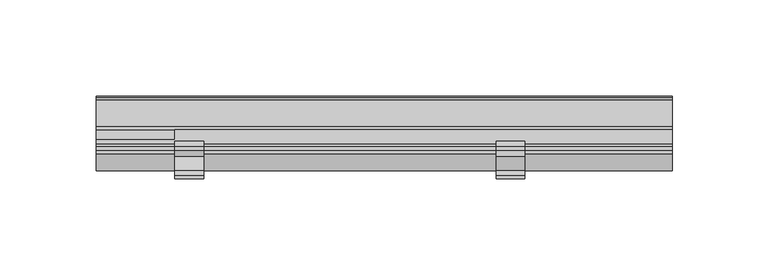
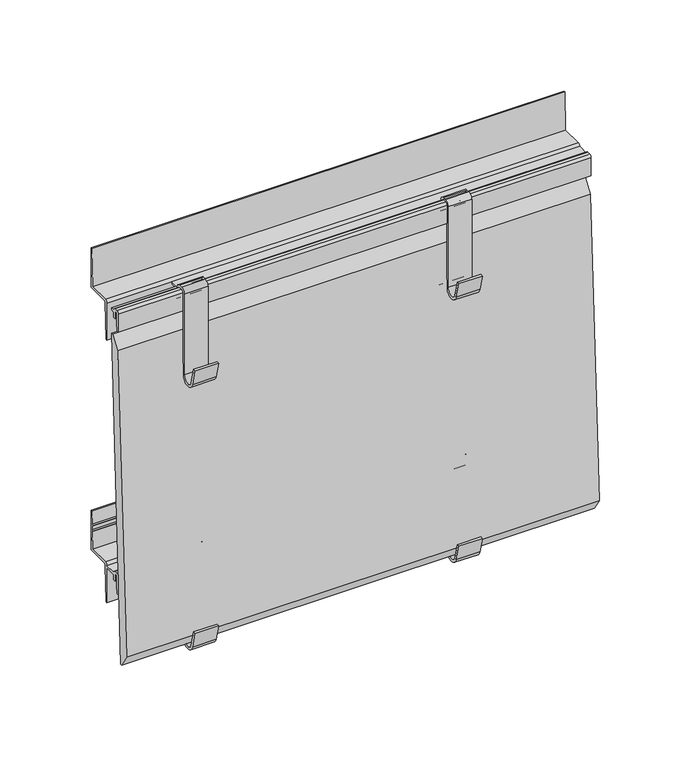
"""IFC4 building model written with IfcOpenShell, lengths in millimetres: plate geometry."""

from ifc_helpers import new_model, si_unit, point, frame, frame_2d, origin, place, context, project, spatial, polyline, circle_curve, trimmed, segment, composite_curve, outline, extrude, source, transform, mapped, element, save
from ifc_brep_helpers import plane_surface, cylinder_surface, revolved_surface, advanced_brep


def plate_91e28fca(model_context):
    return source(origin(), model_context, "Body", "SolidModel", [
        extrude(outline(composite_curve([segment(polyline([(-18.8607974, 12.4845754), (-16.2339522, 1.8827501)]), True, "CONTINUOUS"), segment(trimmed(circle_curve(frame_2d((-12.5818057, 2.7976552)), 3.765), [point((-16.2339522, 1.8827501))], [point((-8.8168057, 2.7976552))], True, "CARTESIAN"), True, "CONTINUOUS"), segment(polyline([(-8.8168057, 2.7976552), (-8.8168057, 56.7976552)]), True, "CONTINUOUS"), segment(trimmed(circle_curve(frame_2d((-5.8168057, 56.7976552)), 3.0), [point((-8.8168057, 56.7976552))], [point((-5.8168057, 59.7976552))], False, "CARTESIAN"), True, "CONTINUOUS"), segment(polyline([(-5.8168057, 59.7976552), (-3.8168058, 59.7976552)]), True, "CONTINUOUS"), segment(trimmed(circle_curve(frame_2d((-3.8168058, 56.7976552)), 3.0), [point((-3.8168058, 59.7976552))], [point((-0.8168058, 56.7976552))], False, "CARTESIAN"), True, "CONTINUOUS"), segment(polyline([(-0.8168058, 56.7976552), (-0.8168057, 51.7976552)]), True, "CONTINUOUS"), segment(trimmed(circle_curve(frame_2d((0.6831943, 51.7976552)), 1.5), [point((-0.8168057, 51.7976552))], [point((0.6831943, 50.2976552))], True, "CARTESIAN"), True, "CONTINUOUS"), segment(polyline([(0.6831943, 50.2976552), (2.1831943, 50.2976552)]), True, "CONTINUOUS"), segment(trimmed(circle_curve(frame_2d((2.1831943, 47.2976552)), 3.0), [point((2.1831943, 50.2976552))], [point((5.1831943, 47.2976552))], False, "CARTESIAN"), True, "CONTINUOUS"), segment(polyline([(5.1831943, 47.2976552), (5.1831943, 1.2976552)]), True, "CONTINUOUS"), segment(trimmed(circle_curve(frame_2d((2.1831943, 1.2976552)), 3.0), [point((5.1831943, 1.2976552))], [point((-0.8006941, 0.9871553))], False, "CARTESIAN"), True, "CONTINUOUS"), segment(polyline([(-0.8006941, 0.9871553), (-3.8092302, 30.8457927), (-2.3167633, 30.9961593), (0.6808295, 1.2455237)]), True, "CONTINUOUS"), segment(trimmed(circle_curve(frame_2d((2.1815304, 1.2993191)), 1.5016648), [point((0.6808295, 1.2455237))], [point((3.6831943, 1.300983))], True, "CARTESIAN"), True, "CONTINUOUS"), segment(polyline([(3.6831943, 1.300983), (3.6831943, 47.2976552)]), True, "CONTINUOUS"), segment(trimmed(circle_curve(frame_2d((2.1831943, 47.2976552)), 1.5), [point((3.6831943, 47.2976552))], [point((2.1831943, 48.7976552))], True, "CARTESIAN"), True, "CONTINUOUS"), segment(polyline([(2.1831943, 48.7976552), (0.6831943, 48.7976552)]), True, "CONTINUOUS"), segment(trimmed(circle_curve(frame_2d((0.6831943, 51.7976552)), 3.0), [point((0.6831943, 48.7976552))], [point((-2.3168057, 51.7976552))], False, "CARTESIAN"), True, "CONTINUOUS"), segment(polyline([(-2.3168057, 51.7976552), (-2.3168057, 56.7976552)]), True, "CONTINUOUS"), segment(trimmed(circle_curve(frame_2d((-3.8168057, 56.7976552)), 1.5), [point((-2.3168057, 56.7976552))], [point((-3.8168057, 58.2976552))], True, "CARTESIAN"), True, "CONTINUOUS"), segment(polyline([(-3.8168057, 58.2976552), (-5.8168057, 58.2976552)]), True, "CONTINUOUS"), segment(trimmed(circle_curve(frame_2d((-5.8168057, 56.7976552)), 1.5), [point((-5.8168057, 58.2976552))], [point((-7.3168057, 56.7976552))], True, "CARTESIAN"), True, "CONTINUOUS"), segment(polyline([(-7.3168057, 56.7976552), (-7.3168057, 2.7976552)]), True, "CONTINUOUS"), segment(trimmed(circle_curve(frame_2d((-12.5818057, 2.7976552)), 5.265), [point((-7.3168057, 2.7976552))], [point((-17.692272, 1.5314169))], False, "CARTESIAN"), True, "CONTINUOUS"), segment(polyline([(-17.692272, 1.5314169), (-20.3167911, 12.1238271), (-18.8607974, 12.4845754)]), True, "CONTINUOUS")], self_intersect=False)), frame((58.4272488, 0.0, 0.0), z_axis=(1.0, 0.0, 0.0), x_axis=(0.0, 1.0, 0.0)), (0.0, 0.0, 1.0), 15.0),
        extrude(outline(composite_curve([segment(polyline([(-5.8168057, 56.7976552), (-5.8168057, 49.7976552), (-6.3168057, 44.7976552), (-7.3168057, 44.7976552), (-7.3168057, 56.7976552)]), True, "CONTINUOUS"), segment(trimmed(circle_curve(frame_2d((-5.8168057, 56.7976552)), 1.5), [point((-7.3168057, 56.7976552))], [point((-5.8168057, 58.2976552))], False, "CARTESIAN"), True, "CONTINUOUS"), segment(polyline([(-5.8168057, 58.2976552), (-3.8168057, 58.2976552)]), True, "CONTINUOUS"), segment(trimmed(circle_curve(frame_2d((-3.8168057, 56.7976552)), 1.5), [point((-3.8168057, 58.2976552))], [point((-2.3168057, 56.7976552))], False, "CARTESIAN"), True, "CONTINUOUS"), segment(polyline([(-2.3168057, 56.7976552), (5.1831943, 56.7976552)]), True, "CONTINUOUS"), segment(trimmed(circle_curve(frame_2d((6.6831943, 56.7976552)), 1.5), [point((5.1831943, 56.7976552))], [point((6.6831943, 58.2976552))], False, "CARTESIAN"), True, "CONTINUOUS"), segment(polyline([(6.6831943, 58.2976552), (20.6831943, 58.2976552), (21.1423236, 69.7758352), (20.6038409, 70.35277), (21.1905414, 70.9813863), (21.2902042, 73.4729787), (20.7538425, 74.0476552), (21.3382388, 74.6737997), (21.6831943, 83.2976552), (22.6831943, 83.2976552), (22.6831943, 56.7976552), (7.6831943, 56.7976552)]), True, "CONTINUOUS"), segment(trimmed(circle_curve(frame_2d((7.6831943, 56.2976552)), 0.5), [point((7.6831943, 56.7976552))], [point((7.1831943, 56.2976552))], True, "CARTESIAN"), True, "CONTINUOUS"), segment(polyline([(7.1831943, 56.2976552), (7.1831943, 55.3127462), (6.1831943, 31.7976552), (5.1831943, 31.7976552), (5.1831943, 55.2976552), (-2.3168057, 55.2976552), (-2.3168057, 51.7696554), (-3.8168057, 51.7696554), (-3.8168057, 56.7976552), (-5.8168057, 56.7976552)]), True, "CONTINUOUS")], self_intersect=False)), frame((-150.0, 0.0, 0.0), z_axis=(1.0, 0.0, 0.0), x_axis=(0.0, 1.0, 0.0)), (0.0, 0.0, 1.0), 300.0),
        extrude(outline(composite_curve([segment(polyline([(-18.8607974, 12.4845754), (-16.2339522, 1.8827501)]), True, "CONTINUOUS"), segment(trimmed(circle_curve(frame_2d((-12.5818057, 2.7976552)), 3.765), [point((-16.2339522, 1.8827501))], [point((-8.8168057, 2.7976552))], True, "CARTESIAN"), True, "CONTINUOUS"), segment(polyline([(-8.8168057, 2.7976552), (-8.8168057, 56.7976552)]), True, "CONTINUOUS"), segment(trimmed(circle_curve(frame_2d((-5.8168057, 56.7976552)), 3.0), [point((-8.8168057, 56.7976552))], [point((-5.8168057, 59.7976552))], False, "CARTESIAN"), True, "CONTINUOUS"), segment(polyline([(-5.8168057, 59.7976552), (-3.8168057, 59.7976552)]), True, "CONTINUOUS"), segment(trimmed(circle_curve(frame_2d((-3.8168057, 56.7976552)), 3.0), [point((-3.8168057, 59.7976552))], [point((-0.8168057, 56.7976552))], False, "CARTESIAN"), True, "CONTINUOUS"), segment(polyline([(-0.8168057, 56.7976552), (-0.8168057, 51.7976552)]), True, "CONTINUOUS"), segment(trimmed(circle_curve(frame_2d((0.6831943, 51.7976552)), 1.5), [point((-0.8168057, 51.7976552))], [point((0.6831943, 50.2976552))], True, "CARTESIAN"), True, "CONTINUOUS"), segment(polyline([(0.6831943, 50.2976552), (2.1831943, 50.2976552)]), True, "CONTINUOUS"), segment(trimmed(circle_curve(frame_2d((2.1831943, 47.2976552)), 3.0), [point((2.1831943, 50.2976552))], [point((5.1831943, 47.2976552))], False, "CARTESIAN"), True, "CONTINUOUS"), segment(polyline([(5.1831943, 47.2976552), (5.1831943, 1.2976552)]), True, "CONTINUOUS"), segment(trimmed(circle_curve(frame_2d((2.1831943, 1.2976552)), 3.0), [point((5.1831943, 1.2976552))], [point((-0.8006941, 0.9871553))], False, "CARTESIAN"), True, "CONTINUOUS"), segment(polyline([(-0.8006941, 0.9871553), (-3.8092302, 30.8457927), (-2.3167633, 30.9961593), (0.6808295, 1.2455237)]), True, "CONTINUOUS"), segment(trimmed(circle_curve(frame_2d((2.1815304, 1.2993191)), 1.5016648), [point((0.6808295, 1.2455237))], [point((3.6831943, 1.300983))], True, "CARTESIAN"), True, "CONTINUOUS"), segment(polyline([(3.6831943, 1.300983), (3.6831943, 47.2976552)]), True, "CONTINUOUS"), segment(trimmed(circle_curve(frame_2d((2.1831943, 47.2976552)), 1.5), [point((3.6831943, 47.2976552))], [point((2.1831943, 48.7976552))], True, "CARTESIAN"), True, "CONTINUOUS"), segment(polyline([(2.1831943, 48.7976552), (0.6831943, 48.7976552)]), True, "CONTINUOUS"), segment(trimmed(circle_curve(frame_2d((0.6831943, 51.7976552)), 3.0), [point((0.6831943, 48.7976552))], [point((-2.3168057, 51.7976552))], False, "CARTESIAN"), True, "CONTINUOUS"), segment(polyline([(-2.3168057, 51.7976552), (-2.3168057, 56.7976552)]), True, "CONTINUOUS"), segment(trimmed(circle_curve(frame_2d((-3.8168057, 56.7976552)), 1.5), [point((-2.3168057, 56.7976552))], [point((-3.8168057, 58.2976552))], True, "CARTESIAN"), True, "CONTINUOUS"), segment(polyline([(-3.8168057, 58.2976552), (-5.8168057, 58.2976552)]), True, "CONTINUOUS"), segment(trimmed(circle_curve(frame_2d((-5.8168057, 56.7976552)), 1.5), [point((-5.8168057, 58.2976552))], [point((-7.3168057, 56.7976552))], True, "CARTESIAN"), True, "CONTINUOUS"), segment(polyline([(-7.3168057, 56.7976552), (-7.3168057, 2.7976552)]), True, "CONTINUOUS"), segment(trimmed(circle_curve(frame_2d((-12.5818057, 2.7976552)), 5.265), [point((-7.3168057, 2.7976552))], [point((-17.692272, 1.5314169))], False, "CARTESIAN"), True, "CONTINUOUS"), segment(polyline([(-17.692272, 1.5314169), (-20.3167911, 12.1238271), (-18.8607974, 12.4845754)]), True, "CONTINUOUS")], self_intersect=False)), frame((-108.9272488, 0.0, 0.0), z_axis=(1.0, 0.0, 0.0), x_axis=(0.0, 1.0, 0.0)), (0.0, 0.0, 1.0), 15.0),
        extrude(outline(composite_curve([segment(polyline([(-8.8168056, 178.7801056), (-8.8168056, 232.7801055)]), True, "CONTINUOUS"), segment(trimmed(circle_curve(frame_2d((-5.8168057, 232.7801055)), 3.0), [point((-8.8168056, 232.7801055))], [point((-5.8168057, 235.7801055))], False, "CARTESIAN"), True, "CONTINUOUS"), segment(polyline([(-5.8168057, 235.7801055), (-3.8168057, 235.7801055)]), True, "CONTINUOUS"), segment(trimmed(circle_curve(frame_2d((-3.8168057, 232.7801055)), 3.0), [point((-3.8168057, 235.7801055))], [point((-0.8168057, 232.7801055))], False, "CARTESIAN"), True, "CONTINUOUS"), segment(polyline([(-0.8168057, 232.7801055), (-0.8168057, 227.7801055)]), True, "CONTINUOUS"), segment(trimmed(circle_curve(frame_2d((0.6831943, 227.7801055)), 1.5), [point((-0.8168057, 227.7801055))], [point((0.6831943, 226.2801055))], True, "CARTESIAN"), True, "CONTINUOUS"), segment(polyline([(0.6831943, 226.2801055), (2.1831943, 226.2801055)]), True, "CONTINUOUS"), segment(trimmed(circle_curve(frame_2d((2.1831943, 223.2801056)), 3.0), [point((2.1831943, 226.2801055))], [point((5.1831943, 223.2801056))], False, "CARTESIAN"), True, "CONTINUOUS"), segment(polyline([(5.1831943, 223.2801056), (5.1831943, 177.2801056)]), True, "CONTINUOUS"), segment(trimmed(circle_curve(frame_2d((2.1831943, 177.2801056)), 3.0), [point((5.1831943, 177.2801056))], [point((-0.8168057, 177.2801056))], False, "CARTESIAN"), True, "CONTINUOUS"), segment(polyline([(-0.8168057, 177.2801056), (-0.8168057, 207.2801056), (0.6831943, 207.2801056), (0.6831943, 177.2801056)]), True, "CONTINUOUS"), segment(trimmed(circle_curve(frame_2d((2.1831943, 177.2801056)), 1.5), [point((0.6831943, 177.2801056))], [point((3.6831943, 177.2801056))], True, "CARTESIAN"), True, "CONTINUOUS"), segment(polyline([(3.6831943, 177.2801056), (3.6831943, 223.2801056)]), True, "CONTINUOUS"), segment(trimmed(circle_curve(frame_2d((2.1831943, 223.2801056)), 1.5), [point((3.6831943, 223.2801056))], [point((2.1831943, 224.7801056))], True, "CARTESIAN"), True, "CONTINUOUS"), segment(polyline([(2.1831943, 224.7801056), (0.6831943, 224.7801056)]), True, "CONTINUOUS"), segment(trimmed(circle_curve(frame_2d((0.6831943, 227.7801055)), 3.0), [point((0.6831943, 224.7801056))], [point((-2.3168057, 227.7801055))], False, "CARTESIAN"), True, "CONTINUOUS"), segment(polyline([(-2.3168057, 227.7801055), (-2.3168057, 232.7801055)]), True, "CONTINUOUS"), segment(trimmed(circle_curve(frame_2d((-3.8168057, 232.7801055)), 1.5), [point((-2.3168057, 232.7801055))], [point((-3.8168057, 234.2801055))], True, "CARTESIAN"), True, "CONTINUOUS"), segment(polyline([(-3.8168057, 234.2801055), (-5.8168057, 234.2801055)]), True, "CONTINUOUS"), segment(trimmed(circle_curve(frame_2d((-5.8168057, 232.7801055)), 1.5), [point((-5.8168057, 234.2801055))], [point((-7.3168057, 232.7801055))], True, "CARTESIAN"), True, "CONTINUOUS"), segment(polyline([(-7.3168057, 232.7801055), (-7.3168057, 178.7801056)]), True, "CONTINUOUS"), segment(trimmed(circle_curve(frame_2d((-12.5818056, 178.7801056)), 5.265), [point((-7.3168057, 178.7801056))], [point((-17.6922719, 177.5138672))], False, "CARTESIAN"), True, "CONTINUOUS"), segment(polyline([(-17.6922719, 177.5138672), (-20.316791, 188.1062774), (-18.8607973, 188.4670257), (-16.2386219, 177.8840476)]), True, "CONTINUOUS"), segment(trimmed(circle_curve(frame_2d((-12.5818056, 178.7801056)), 3.765), [point((-16.2386219, 177.8840476))], [point((-8.8168056, 178.7801056))], True, "CARTESIAN"), True, "CONTINUOUS")], self_intersect=False)), frame((-108.9272488, 0.0, 0.0), z_axis=(1.0, 0.0, 0.0), x_axis=(0.0, 1.0, 0.0)), (0.0, 0.0, 1.0), 15.0),
        advanced_brep(
        [(150.0, -6.3168057, 220.7801056), (150.0, -5.8168057, 225.7801056), (150.0, -5.8168057, 232.7801056), (150.0, -3.8168057, 232.7801056), (150.0, -3.8168057, 227.7521057), (150.0, -2.3168057, 227.7521057), (150.0, -2.3168057, 231.2801056), (150.0, 5.1831943, 231.2801056), (150.0, 5.1831943, 207.7801056), (150.0, 6.1831943, 207.7801056), (150.0, 7.2219099, 232.2055981), (150.0, 7.8213681, 232.7801056), (150.0, 22.6831943, 232.7801056), (150.0, 22.6831943, 259.2801056), (150.0, 21.6831943, 259.2801056), (150.0, 20.6831943, 234.2801056), (150.0, 6.6831943, 234.2801056), (150.0, 5.1831942, 232.7801056), (150.0, -2.3168057, 232.7801056), (150.0, -3.8168057, 234.2801056), (150.0, -5.8168057, 234.2801056), (150.0, -7.3168057, 232.7801056), (150.0, -7.3168057, 220.7801056), (-150.0, 5.1831942, 232.7801056), (-150.0, 6.6831943, 234.2801056), (-150.0, 20.6831943, 234.2801056), (-150.0, 21.6831943, 259.2801056), (-150.0, 22.6831943, 259.2801056), (-150.0, 22.6831943, 232.7801056), (-150.0, 7.8213681, 232.7801056), (-150.0, 7.2219099, 232.2055981), (-150.0, 6.1831943, 207.7801056), (-150.0, 5.1831943, 207.7801056), (-150.0, -6.3168057, 220.7801056), (-150.0, -7.3168057, 220.7801056), (-150.0, -7.3168057, 232.7801056), (-150.0, -5.8168057, 234.2801056), (-150.0, -3.8168057, 234.2801056), (-150.0, -2.3168057, 232.7801056), (-150.0, 0.0, 232.7801056), (-150.0, 0.0, 231.2801056), (-150.0, -2.3168057, 231.2801056), (-150.0, -2.3168057, 227.7521057), (-150.0, -3.8168057, 227.7521057), (-150.0, -3.8168057, 232.7801056), (-150.0, -5.8168057, 232.7801056), (-150.0, -5.8168057, 225.7801056), (-108.9272488, 5.1831942, 232.7801056), (-108.9272488, 0.0, 232.7801056), (-108.9272488, 5.1831943, 231.2801056), (-108.9272488, 0.0, 231.2801056)],
        [
            (0, 1),
            (1, 2),
            (2, 3),
            (3, 4),
            (4, 5),
            (5, 6),
            (6, 7),
            (7, 8),
            (8, 9),
            (9, 10),
            (10, 11, circle_curve(frame((150.0, 7.8213681, 232.1801056), z_axis=(-1.0, 0.0, 0.0), x_axis=(0.0, -1.0, 0.0)), 0.6)),
            (11, 12),
            (12, 13),
            (13, 14),
            (14, 15),
            (15, 16),
            (16, 17, circle_curve(frame((150.0, 6.6831943, 232.7801056), z_axis=(1.0, 0.0, 0.0), x_axis=(0.0, -1.0, 0.0)), 1.5)),
            (17, 18),
            (18, 19, circle_curve(frame((150.0, -3.8168057, 232.7801056), z_axis=(1.0, 0.0, 0.0), x_axis=(0.0, -1.0, 0.0)), 1.5)),
            (19, 20),
            (20, 21, circle_curve(frame((150.0, -5.8168057, 232.7801056), z_axis=(1.0, 0.0, 0.0), x_axis=(0.0, -1.0, 0.0)), 1.5)),
            (21, 22),
            (22, 0),
            (23, 24, circle_curve(frame((-150.0, 6.6831943, 232.7801056), z_axis=(-1.0, 0.0, 0.0), x_axis=(0.0, -1.0, 0.0)), 1.5)),
            (24, 25),
            (25, 26),
            (26, 27),
            (27, 28),
            (28, 29),
            (29, 30, circle_curve(frame((-150.0, 7.8213681, 232.1801056), z_axis=(1.0, 0.0, 0.0), x_axis=(0.0, -1.0, 0.0)), 0.6)),
            (30, 31),
            (31, 32),
            (32, 23),
            (33, 34),
            (34, 35),
            (35, 36, circle_curve(frame((-150.0, -5.8168057, 232.7801056), z_axis=(-1.0, 0.0, 0.0), x_axis=(0.0, -1.0, 0.0)), 1.5)),
            (36, 37),
            (37, 38, circle_curve(frame((-150.0, -3.8168057, 232.7801056), z_axis=(-1.0, 0.0, 0.0), x_axis=(0.0, -1.0, 0.0)), 1.5)),
            (38, 39),
            (39, 40),
            (40, 41),
            (41, 42),
            (42, 43),
            (43, 44),
            (44, 45),
            (45, 46),
            (46, 33),
            (22, 34),
            (33, 0),
            (21, 35),
            (20, 36),
            (19, 37),
            (18, 38),
            (17, 47),
            (47, 48),
            (48, 39),
            (16, 24),
            (23, 47),
            (15, 25),
            (14, 26),
            (13, 27),
            (12, 28),
            (11, 29),
            (10, 30),
            (9, 31),
            (8, 32),
            (7, 49),
            (49, 47),
            (6, 41),
            (40, 50),
            (50, 49),
            (5, 42),
            (4, 43),
            (3, 44),
            (2, 45),
            (1, 46),
            (50, 48),
        ],
        [
            plane_surface(frame((150.0, -7.3168057, 220.7801056), z_axis=(1.0, 0.0, 0.0), x_axis=(0.0, -1.0, 0.0))),
            plane_surface(frame((-150.0, -7.3168057, 220.7801056), z_axis=(-1.0, 0.0, 0.0), x_axis=(0.0, 1.0, 0.0))),
            plane_surface(frame((150.0, -6.3168057, 220.7801056), z_axis=(0.0, 0.0, -1.0), x_axis=(-1.0, 0.0, 0.0))),
            plane_surface(frame((150.0, -7.3168057, 220.7801056), z_axis=(0.0, -1.0, 0.0), x_axis=(-1.0, 0.0, 0.0))),
            cylinder_surface(frame((-150.0, -5.8168057, 232.7801056), z_axis=(1.0, 0.0, 0.0), x_axis=(0.0, -1.0, 0.0)), 1.5),
            plane_surface(frame((150.0, -5.8168057, 234.2801056), z_axis=(0.0, 0.0, 1.0), x_axis=(-1.0, 0.0, 0.0))),
            cylinder_surface(frame((-150.0, -3.8168057, 232.7801056), z_axis=(1.0, 0.0, 0.0), x_axis=(0.0, -1.0, 0.0)), 1.5),
            plane_surface(frame((150.0, -2.3168057, 232.7801056), z_axis=(0.0, 0.0, 1.0), x_axis=(-1.0, 0.0, 0.0))),
            cylinder_surface(frame((-150.0, 6.6831943, 232.7801056), z_axis=(1.0, 0.0, 0.0), x_axis=(0.0, -1.0, 0.0)), 1.5),
            plane_surface(frame((150.0, 6.6831943, 234.2801056), z_axis=(0.0, 0.0, 1.0), x_axis=(-1.0, 0.0, 0.0))),
            plane_surface(frame((150.0, 20.6831943, 234.2801056), z_axis=(0.0, -0.9992009587217895, 0.0399680383488705), x_axis=(-1.0, 0.0, 0.0))),
            plane_surface(frame((150.0, 21.6831943, 259.2801056), z_axis=(0.0, 0.0, 1.0), x_axis=(-1.0, 0.0, 0.0))),
            plane_surface(frame((150.0, 22.6831943, 259.2801056), z_axis=(0.0, 1.0, 0.0), x_axis=(-1.0, 0.0, 0.0))),
            plane_surface(frame((150.0, 22.6831943, 232.7801056), z_axis=(0.0, 0.0, -1.0), x_axis=(-1.0, 0.0, 0.0))),
            revolved_surface(polyline([(-150.0, 7.2213681, 232.1801056), (150.0, 7.2213681, 232.1801056)]), (-150.0, 7.8213681, 232.1801056), (-1.0, 0.0, 0.0)),
            plane_surface(frame((150.0, 7.2219099, 232.2055981), z_axis=(0.0, 0.9990969992385167, -0.04248748183396547), x_axis=(-1.0, 0.0, 0.0))),
            plane_surface(frame((150.0, 6.1831943, 207.7801056), z_axis=(0.0, 0.0, -1.0), x_axis=(-1.0, 0.0, 0.0))),
            plane_surface(frame((150.0, 5.1831943, 207.7801056), z_axis=(0.0, -1.0, 0.0), x_axis=(-1.0, 0.0, 0.0))),
            plane_surface(frame((150.0, 5.1831943, 231.2801056), z_axis=(0.0, 0.0, -1.0), x_axis=(-1.0, 0.0, 0.0))),
            plane_surface(frame((150.0, -2.3168057, 231.2801056), z_axis=(0.0, 1.0, 0.0), x_axis=(-1.0, 0.0, 0.0))),
            plane_surface(frame((150.0, -2.3168057, 227.7521057), z_axis=(0.0, 0.0, -1.0), x_axis=(-1.0, 0.0, 0.0))),
            plane_surface(frame((150.0, -3.8168057, 227.7521057), z_axis=(0.0, -1.0, 0.0), x_axis=(-1.0, 0.0, 0.0))),
            plane_surface(frame((150.0, -3.8168057, 232.7801056), z_axis=(0.0, 0.0, -1.0), x_axis=(-1.0, 0.0, 0.0))),
            plane_surface(frame((150.0, -5.8168057, 232.7801056), z_axis=(0.0, 1.0, 0.0), x_axis=(-1.0, 0.0, 0.0))),
            plane_surface(frame((150.0, -5.8168057, 225.7801056), z_axis=(0.0, 0.9950371902099884, -0.0995037190210076), x_axis=(-1.0, 0.0, 0.0))),
            plane_surface(frame((-108.9272488, 5.1831943, 232.7801055), z_axis=(-1.0, 0.0, 0.0), x_axis=(0.0, 0.0, -1.0))),
            plane_surface(frame((-108.9272488, 0.0, 231.2801056), z_axis=(0.0, 1.0, 0.0), x_axis=(-1.0, 0.0, 0.0))),
        ],
        [
            (0, [[1, 2, 3, 4, 5, 6, 7, 8, 9, 10, 11, 12, 13, 14, 15, 16, 17, 18, 19, 20, 21, 22, 23]]),
            (1, [[24, 25, 26, 27, 28, 29, 30, 31, 32, 33]]),
            (1, [[34, 35, 36, 37, 38, 39, 40, 41, 42, 43, 44, 45, 46, 47]]),
            (2, [[48, -34, 49, -23]]),
            (3, [[50, -35, -48, -22]]),
            (4, [[51, -36, -50, -21]]),
            (5, [[52, -37, -51, -20]]),
            (6, [[53, -38, -52, -19]]),
            (7, [[54, 55, 56, -39, -53, -18]]),
            (8, [[57, -24, 58, -54, -17]]),
            (9, [[59, -25, -57, -16]]),
            (10, [[60, -26, -59, -15]]),
            (11, [[61, -27, -60, -14]]),
            (12, [[62, -28, -61, -13]]),
            (13, [[63, -29, -62, -12]]),
            (14, [[64, -30, -63, -11]]),
            (15, [[65, -31, -64, -10]]),
            (16, [[66, -32, -65, -9]]),
            (17, [[67, 68, -58, -33, -66, -8]]),
            (18, [[69, -41, 70, 71, -67, -7]]),
            (19, [[72, -42, -69, -6]]),
            (20, [[73, -43, -72, -5]]),
            (21, [[74, -44, -73, -4]]),
            (22, [[75, -45, -74, -3]]),
            (23, [[76, -46, -75, -2]]),
            (24, [[-49, -47, -76, -1]]),
            (25, [[-55, -68, -71, 77]]),
            (26, [[-70, -40, -56, -77]]),
        ],
    ),
        extrude(outline(composite_curve([segment(polyline([(-8.8168056, 178.7801056), (-8.8168056, 232.7801055)]), True, "CONTINUOUS"), segment(trimmed(circle_curve(frame_2d((-5.8168057, 232.7801055)), 3.0), [point((-8.8168056, 232.7801055))], [point((-5.8168057, 235.7801055))], False, "CARTESIAN"), True, "CONTINUOUS"), segment(polyline([(-5.8168057, 235.7801055), (-3.8168057, 235.7801055)]), True, "CONTINUOUS"), segment(trimmed(circle_curve(frame_2d((-3.8168057, 232.7801055)), 3.0), [point((-3.8168057, 235.7801055))], [point((-0.8168057, 232.7801055))], False, "CARTESIAN"), True, "CONTINUOUS"), segment(polyline([(-0.8168057, 232.7801055), (-0.8168057, 227.7801055)]), True, "CONTINUOUS"), segment(trimmed(circle_curve(frame_2d((0.6831943, 227.7801055)), 1.5), [point((-0.8168057, 227.7801055))], [point((0.6831943, 226.2801055))], True, "CARTESIAN"), True, "CONTINUOUS"), segment(polyline([(0.6831943, 226.2801055), (2.1831943, 226.2801055)]), True, "CONTINUOUS"), segment(trimmed(circle_curve(frame_2d((2.1831943, 223.2801056)), 3.0), [point((2.1831943, 226.2801055))], [point((5.1831943, 223.2801056))], False, "CARTESIAN"), True, "CONTINUOUS"), segment(polyline([(5.1831943, 223.2801056), (5.1831943, 177.2801056)]), True, "CONTINUOUS"), segment(trimmed(circle_curve(frame_2d((2.1831943, 177.2801056)), 3.0), [point((5.1831943, 177.2801056))], [point((-0.8168057, 177.2801056))], False, "CARTESIAN"), True, "CONTINUOUS"), segment(polyline([(-0.8168057, 177.2801056), (-0.8168057, 207.2801056), (0.6831943, 207.2801056), (0.6831943, 177.2801056)]), True, "CONTINUOUS"), segment(trimmed(circle_curve(frame_2d((2.1831943, 177.2801056)), 1.5), [point((0.6831943, 177.2801056))], [point((3.6831943, 177.2801056))], True, "CARTESIAN"), True, "CONTINUOUS"), segment(polyline([(3.6831943, 177.2801056), (3.6831943, 223.2801056)]), True, "CONTINUOUS"), segment(trimmed(circle_curve(frame_2d((2.1831943, 223.2801056)), 1.5), [point((3.6831943, 223.2801056))], [point((2.1831943, 224.7801056))], True, "CARTESIAN"), True, "CONTINUOUS"), segment(polyline([(2.1831943, 224.7801056), (0.6831943, 224.7801056)]), True, "CONTINUOUS"), segment(trimmed(circle_curve(frame_2d((0.6831943, 227.7801055)), 3.0), [point((0.6831943, 224.7801056))], [point((-2.3168057, 227.7801055))], False, "CARTESIAN"), True, "CONTINUOUS"), segment(polyline([(-2.3168057, 227.7801055), (-2.3168057, 232.7801055)]), True, "CONTINUOUS"), segment(trimmed(circle_curve(frame_2d((-3.8168057, 232.7801055)), 1.5), [point((-2.3168057, 232.7801055))], [point((-3.8168057, 234.2801055))], True, "CARTESIAN"), True, "CONTINUOUS"), segment(polyline([(-3.8168057, 234.2801055), (-5.8168057, 234.2801055)]), True, "CONTINUOUS"), segment(trimmed(circle_curve(frame_2d((-5.8168057, 232.7801055)), 1.5), [point((-5.8168057, 234.2801055))], [point((-7.3168057, 232.7801055))], True, "CARTESIAN"), True, "CONTINUOUS"), segment(polyline([(-7.3168057, 232.7801055), (-7.3168057, 178.7801056)]), True, "CONTINUOUS"), segment(trimmed(circle_curve(frame_2d((-12.5818056, 178.7801056)), 5.265), [point((-7.3168057, 178.7801056))], [point((-17.6922719, 177.5138672))], False, "CARTESIAN"), True, "CONTINUOUS"), segment(polyline([(-17.6922719, 177.5138672), (-20.316791, 188.1062774), (-18.8607973, 188.4670257), (-16.2386219, 177.8840476)]), True, "CONTINUOUS"), segment(trimmed(circle_curve(frame_2d((-12.5818056, 178.7801056)), 3.765), [point((-16.2386219, 177.8840476))], [point((-8.8168056, 178.7801056))], True, "CARTESIAN"), True, "CONTINUOUS")], self_intersect=False)), frame((58.4272488, 0.0, 0.0), z_axis=(1.0, 0.0, 0.0), x_axis=(0.0, 1.0, 0.0)), (0.0, 0.0, 1.0), 15.0),
        extrude(outline(polyline([(-1.1419327, 215.813656), (0.0, 215.813656), (-10.0622119, 0.0), (-11.1537037, 0.0), (-16.2901922, 8.2146092), (-6.7647052, 208.035076), (-1.1419327, 215.813656)])), frame((-150.0, 0.0, 0.0), z_axis=(1.0, 0.0, 0.0), x_axis=(0.0, 1.0, 0.0)), (0.0, 0.0, 1.0), 300.0),
    ])


if __name__ == "__main__":
    model = new_model("IFC4")
    model_context = context("Model", 3, world=origin())
    ifc_project = project(units=[si_unit("LENGTHUNIT", "METRE", prefix="MILLI")], contexts=[model_context])
    site = spatial("IfcSite", under=ifc_project)
    building = spatial("IfcBuilding", under=site)
    placement = place(None, origin())
    plate_shape = plate_91e28fca(model_context)
    element("IfcPlate", 1, at=placement, inside=building, context=model_context, shape_type="MappedRepresentation", body=[
        mapped(plate_shape, transform((0.0, 0.0, 0.0), x_axis=(1.0, 0.0, 0.0), y_axis=(0.0, 1.0, 0.0), z_axis=(0.0, 0.0, 1.0))),
    ])
    save(model, "model.ifc")
